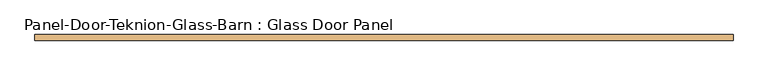
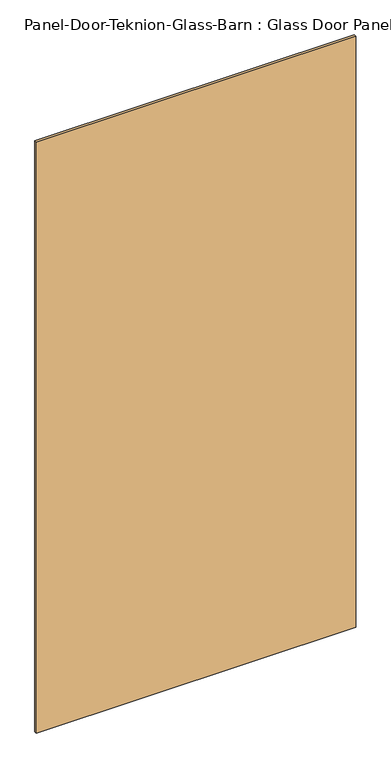
"""IFC4 building model written with IfcOpenShell, lengths in millimetres: door geometry, Panel-Door-Teknion-Glass-Barn : Glass Door Panel."""

from ifc_helpers import new_model, si_unit, frame, origin, place, context, project, spatial, polyline, outline, extrude, source, transform, mapped, element, save


def panel_door_teknion_glass_barn_glass_door_panel_91c8f159(model_context):
    return source(origin(), model_context, "Body", "SweptSolid", [
        extrude(outline(polyline([(525.9049212, -4.5085), (-525.9049212, -4.5085), (-525.9049212, 4.5085), (525.9049212, 4.5085), (525.9049212, -4.5085)])), frame((0.0, 0.0, 60.9092), z_axis=(0.0, 0.0, 1.0), x_axis=(1.0, 0.0, 0.0)), (0.0, 0.0, 1.0), 2056.99106),
    ])


if __name__ == "__main__":
    model = new_model("IFC4")
    model_context = context("Model", 3, world=origin())
    ifc_project = project(units=[si_unit("LENGTHUNIT", "METRE", prefix="MILLI")], contexts=[model_context])
    site = spatial("IfcSite", under=ifc_project)
    building = spatial("IfcBuilding", under=site)
    placement = place(None, origin())
    panel_door_teknion_glass_barn_glass_door_panel_shape = panel_door_teknion_glass_barn_glass_door_panel_91c8f159(model_context)
    element("IfcDoor", 1, ObjectType="Panel-Door-Teknion-Glass-Barn : Glass Door Panel", at=placement, inside=building, context=model_context, shape_type="MappedRepresentation", body=[
        mapped(panel_door_teknion_glass_barn_glass_door_panel_shape, transform((0.0, 0.0, 0.0), x_axis=(1.0, 0.0, 0.0), y_axis=(0.0, 1.0, 0.0), z_axis=(0.0, 0.0, 1.0))),
    ])
    save(model, "model.ifc")
